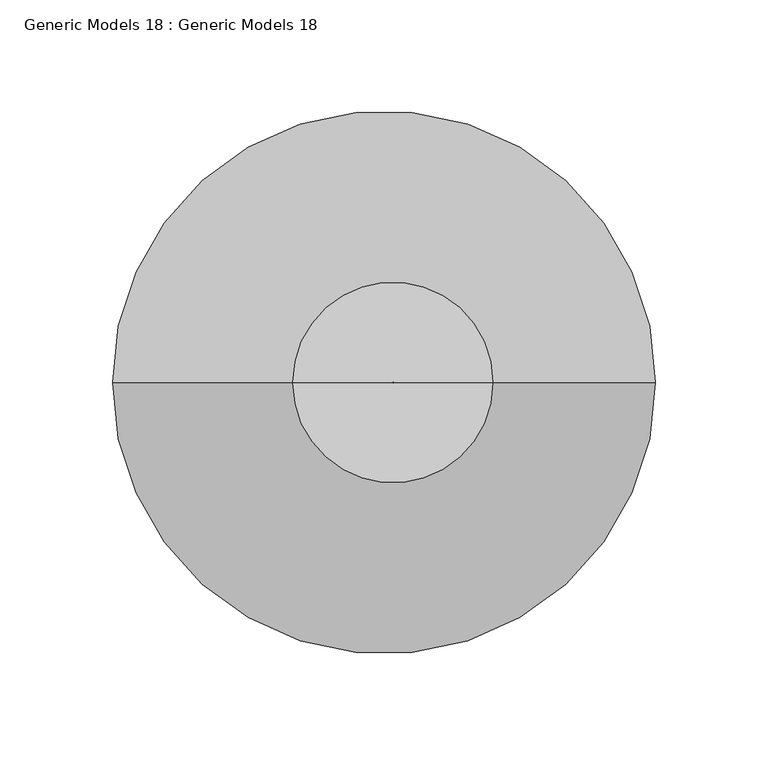
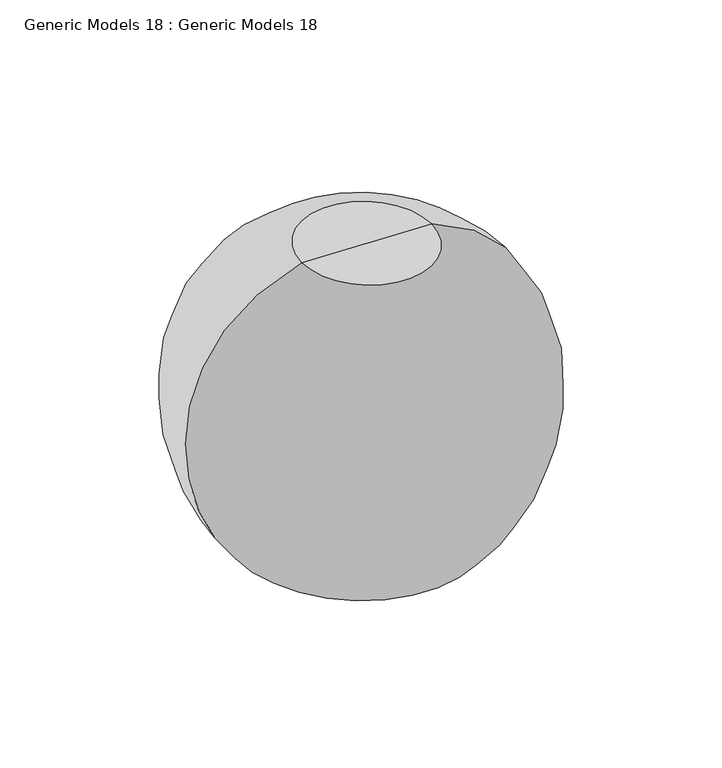
"""IFC4 building model written with IfcOpenShell, lengths in millimetres: proxy geometry, Generic Models 18 : Generic Models 18."""

from ifc_helpers import new_model, si_unit, frame, origin, place, context, project, spatial, polyline, circle_curve, source, transform, mapped, element, save
from ifc_brep_helpers import plane_surface, revolved_surface, spline_curve, advanced_brep


def generic_models_18_generic_models_18_f97ef4ee(model_context):
    return source(origin(), model_context, "Body", "AdvancedBrep", [
        advanced_brep(
        [(-25220.4520272, -7737.3137686, 787.7569061), (-25131.1439924, -7737.3137686, 784.4566386), (-25100.3393656, -7737.3137686, 583.1589305), (-25266.0297614, -7737.3137686, 589.2818133), (-25176.0323461, -7737.3137686, 786.1154319), (-25175.5636734, -7737.3137686, 786.0981127), (-25183.4188999, -7737.3137686, 586.2290315), (-25182.9502272, -7737.3137686, 586.2117123)],
        [
            (0, 1, circle_curve(frame((-25175.7980098, -7737.3137686, 786.1067723), z_axis=(-0.03692855240794146, 0.0, -0.9993179083840407), x_axis=(0.9993179083840407, 0.0, -0.03692855240794146)), 44.6844963)),
            (1, 2, spline_curve(3, [(-25131.1439924, -7737.3137686, 784.4566386), (-25029.635235051, -7737.3137686, 747.510472405), (-25050.168180815, -7737.3137686, 633.330115285), (-25100.3393656, -7737.3137686, 583.1589305)], [4, 4], [0.0, 0.3226028118639134])),
            (2, 3, circle_curve(frame((-25183.1845635, -7737.3137686, 586.2203719), z_axis=(0.03692855240794146, 0.0, 0.9993179083840407), x_axis=(0.9993179083840407, 0.0, -0.03692855240794146)), 82.9017445)),
            (3, 0, spline_curve(3, [(-25266.0297614, -7737.3137686, 589.2818133), (-25312.361136526, -7737.3137686, 643.019130357), (-25324.410801539, -7737.3137686, 758.403537406), (-25220.4520272, -7737.3137686, 787.7569061)], [4, 4], [0.0, 0.3226028118639134])),
            (1, 0, circle_curve(frame((-25175.7980098, -7737.3137686, 786.1067723), z_axis=(-0.03692855240794146, 0.0, -0.9993179083840407), x_axis=(0.9993179083840407, 0.0, -0.03692855240794146)), 44.6844963)),
            (3, 2, circle_curve(frame((-25183.1845635, -7737.3137686, 586.2203719), z_axis=(0.03692855240794146, 0.0, 0.9993179083840407), x_axis=(0.9993179083840407, 0.0, -0.03692855240794146)), 82.9017445)),
            (4, 5, circle_curve(frame((-25175.7980098, -7737.3137686, 786.1067723), z_axis=(-0.03692855240794146, 0.0, -0.9993179083840407), x_axis=(0.9993179083840407, 0.0, -0.03692855240794146)), 0.2344963)),
            (5, 1),
            (0, 4),
            (5, 4, circle_curve(frame((-25175.7980098, -7737.3137686, 786.1067723), z_axis=(-0.03692855240794146, 0.0, -0.9993179083840407), x_axis=(0.9993179083840407, 0.0, -0.03692855240794146)), 0.2344963)),
            (6, 7, circle_curve(frame((-25183.1845635, -7737.3137686, 586.2203719), z_axis=(-0.03692855240794146, 0.0, -0.9993179083840407), x_axis=(0.9993179083840407, 0.0, -0.03692855240794146)), 0.2344963)),
            (7, 5),
            (4, 6),
            (7, 6, circle_curve(frame((-25183.1845635, -7737.3137686, 586.2203719), z_axis=(-0.03692855240794146, 0.0, -0.9993179083840407), x_axis=(0.9993179083840407, 0.0, -0.03692855240794146)), 0.2344963)),
            (2, 7),
            (6, 3),
        ],
        [
            revolved_surface(spline_curve(3, [(-25100.3393656, -7737.3137686, 583.1589305), (-25050.168180815, -7737.3137686, 633.330115285), (-25029.635235051, -7737.3137686, 747.510472405), (-25131.1439924, -7737.3137686, 784.4566386)], [4, 4], [0.0, 0.3226028118639134]), (-25237.3558587, -7737.3137686, -879.7007617), (0.03692855240794146, 0.0, 0.9993179083840407)),
            plane_surface(frame((-25175.7980098, -7737.3137686, 786.1067723), z_axis=(0.03692855240794146, 0.0, 0.9993179083840407), x_axis=(0.9993179083840407, 0.0, -0.03692855240794146))),
            revolved_surface(polyline([(-25175.56367343408, -7737.3137686, 786.0981127012593), (-25182.95022715401, -7737.3137686, 586.2117122806432)]), (-25237.3558587, -7737.3137686, -879.7007617), (0.03692855240794146, 0.0, 0.9993179083840407)),
            plane_surface(frame((-25183.1845635, -7737.3137686, 586.2203719), z_axis=(-0.03692855240794146, 0.0, -0.9993179083840407), x_axis=(0.9993179083840407, 0.0, -0.03692855240794146))),
        ],
        [
            (0, [[1, 2, 3, 4]]),
            (0, [[5, -4, 6, -2]]),
            (1, [[7, 8, -1, 9]]),
            (1, [[10, -9, -5, -8]]),
            (2, [[11, 12, -7, 13]]),
            (2, [[14, -13, -10, -12]]),
            (3, [[-3, 15, -11, 16]]),
            (3, [[-6, -16, -14, -15]]),
        ],
    ),
    ])


if __name__ == "__main__":
    model = new_model("IFC4")
    model_context = context("Model", 3, world=origin())
    ifc_project = project(units=[si_unit("LENGTHUNIT", "METRE", prefix="MILLI")], contexts=[model_context])
    site = spatial("IfcSite", under=ifc_project)
    building = spatial("IfcBuilding", under=site)
    placement = place(None, origin())
    generic_models_18_generic_models_18_shape = generic_models_18_generic_models_18_f97ef4ee(model_context)
    element("IfcBuildingElementProxy", 1, Name="Generic Models 18 : Generic Models 18", ObjectType="Generic Models 18 : Generic Models 18", at=placement, inside=building, context=model_context, shape_type="MappedRepresentation", body=[
        mapped(generic_models_18_generic_models_18_shape, transform((0.0, 0.0, 0.0), x_axis=(1.0, 0.0, 0.0), y_axis=(0.0, 1.0, 0.0), z_axis=(0.0, 0.0, 1.0))),
    ])
    save(model, "model.ifc")
